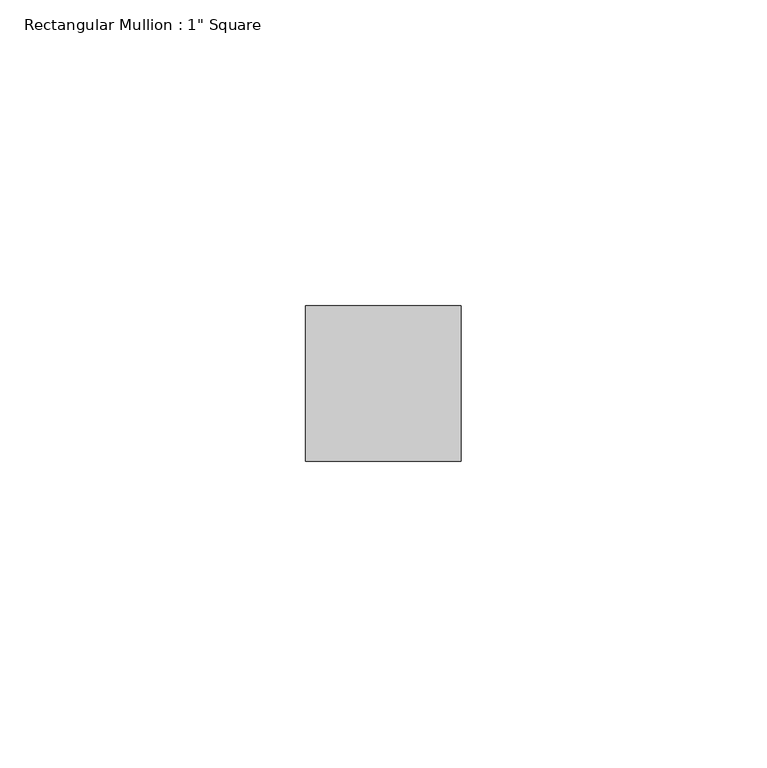
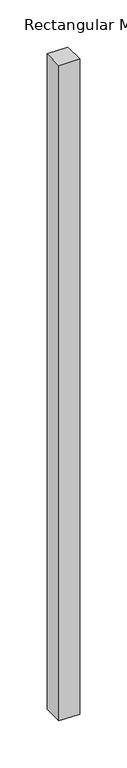
"""IFC4 building model written with IfcOpenShell, lengths in millimetres: member geometry."""

import ifcopenshell
import ifcopenshell.guid

model = None  # the IFC model being written
_history = None  # IfcOwnerHistory: only IFC2X3 demands one
_inside = {}  # id of a spatial element -> (the spatial element, [elements in it])
_under = {}  # id of a project, library or spatial element -> (it, [spatial elements below it])
_declared = {}  # id of a project -> (the project, [libraries it declares])
_typed = {}  # id of a type object -> (the type object, [elements of that type])
_made_of = {}  # id of a material, layer set ... -> (it, [elements and type objects made of it])


def new_model(schema):
    """Start an empty IFC model of exactly this schema.

    Asked for "IFC4X3", IfcOpenShell would pick the latest addendum, in which some entities
    have other attributes; the version numbers below select the first issue.
    IFC2X3 requires an IfcOwnerHistory on every rooted entity: one is made here for all.
    """
    global model, _history
    if schema == "IFC4X3":
        model = ifcopenshell.file(schema_version=(4, 3, 0, 0))
    else:
        model = ifcopenshell.file(schema=schema)
    _inside.clear()
    _under.clear()
    _declared.clear()
    _typed.clear()
    _made_of.clear()
    _history = None
    if model.schema == "IFC2X3":
        org = make("IfcOrganization", Name="unknown")
        user = make(
            "IfcPersonAndOrganization",
            ThePerson=make("IfcPerson", FamilyName="unknown"),
            TheOrganization=org,
        )
        app = make(
            "IfcApplication",
            ApplicationDeveloper=org,
            Version="unknown",
            ApplicationFullName="unknown",
            ApplicationIdentifier="unknown",
        )
        _history = make(
            "IfcOwnerHistory",
            OwningUser=user,
            OwningApplication=app,
            ChangeAction="ADDED",
            CreationDate=0,
        )
    return model


def make(cls, **values):
    """One entity of the class cls with the attributes given. An attribute that is None is left unset."""
    return model.create_entity(
        cls, **{name: value for name, value in values.items() if value is not None}
    )


def rooted(cls, **values):
    """An entity with a GlobalId (a new one), such as an element, a storey or a relation."""
    return make(cls, GlobalId=ifcopenshell.guid.new(), OwnerHistory=_history, **values)


def si_unit(unit_type, name, prefix=None):
    """IfcSIUnit, for example si_unit("LENGTHUNIT", "METRE", prefix="MILLI")."""
    return make("IfcSIUnit", UnitType=unit_type, Prefix=prefix, Name=name)


def assignment(units):
    """IfcUnitAssignment: the units of a project."""
    return None if units is None else make("IfcUnitAssignment", Units=units)


def point(xyz):
    """IfcCartesianPoint."""
    return None if xyz is None else make("IfcCartesianPoint", Coordinates=xyz)


def direction(xyz):
    """IfcDirection."""
    return None if xyz is None else make("IfcDirection", DirectionRatios=xyz)


def frame(location, z_axis=None, x_axis=None):
    """IfcAxis2Placement3D, a coordinate frame: its origin and axes. An axis left out is left unset."""
    return make(
        "IfcAxis2Placement3D",
        Location=point(location),
        Axis=direction(z_axis),
        RefDirection=direction(x_axis),
    )


def origin():
    """The frame at (0, 0, 0) with its axes left unset."""
    return frame((0.0, 0.0, 0.0))


def place(relative_to, where):
    """IfcLocalPlacement: puts the frame where relative to a parent placement (None: the world)."""
    return make(
        "IfcLocalPlacement", PlacementRelTo=relative_to, RelativePlacement=where
    )


def context(
    kind, dimensions, precision=None, world=None, true_north=None, identifier=None
):
    """IfcGeometricRepresentationContext, for example the 3D "Model" context."""
    return make(
        "IfcGeometricRepresentationContext",
        ContextIdentifier=identifier,
        ContextType=kind,
        CoordinateSpaceDimension=dimensions,
        Precision=precision,
        WorldCoordinateSystem=world,
        TrueNorth=true_north,
    )


def project(units=None, contexts=None):
    """IfcProject with its units and contexts."""
    return rooted(
        "IfcProject",
        Name="project",
        RepresentationContexts=contexts,
        UnitsInContext=assignment(units),
    )


def spatial(cls, under=None, at=None, **own):
    """A site, building, storey or space (cls), placed at a placement, below another one or the project."""
    s = rooted(cls, ObjectPlacement=at, **own)
    if under is not None:
        _under.setdefault(under.id(), (under, []))[1].append(s)
    return s


def polyline(points):
    """IfcPolyline through the points."""
    return make("IfcPolyline", Points=[point(p) for p in points])


def outline(outer, holes=None, kind="AREA"):
    """IfcArbitraryClosedProfileDef: a profile drawn as a closed curve; with holes, ...WithVoids."""
    if holes is None:
        return make("IfcArbitraryClosedProfileDef", ProfileType=kind, OuterCurve=outer)
    return make(
        "IfcArbitraryProfileDefWithVoids",
        ProfileType=kind,
        OuterCurve=outer,
        InnerCurves=holes,
    )


def extrude(swept, where, along, depth):
    """IfcExtrudedAreaSolid: the profile swept, set in the frame where, extruded along a direction by depth."""
    return make(
        "IfcExtrudedAreaSolid",
        SweptArea=swept,
        Position=where,
        ExtrudedDirection=direction(along),
        Depth=depth,
    )


def shape(context_of_items, identifier, shape_type, items):
    """IfcShapeRepresentation: the items that make up one representation, for example the "Body"."""
    return make(
        "IfcShapeRepresentation",
        ContextOfItems=context_of_items,
        RepresentationIdentifier=identifier,
        RepresentationType=shape_type,
        Items=items,
    )


def source(mapping_origin, context_of_items, identifier, shape_type, items):
    """IfcRepresentationMap: a shape defined once, which mapped items show again and again."""
    return make(
        "IfcRepresentationMap",
        MappingOrigin=mapping_origin,
        MappedRepresentation=shape(context_of_items, identifier, shape_type, items),
    )


def transform(
    local_origin,
    x_axis=None,
    y_axis=None,
    z_axis=None,
    scale=None,
    scale2=None,
    scale3=None,
    uniform=True,
):
    """IfcCartesianTransformationOperator3D, or its non-uniform kind. x_axis, y_axis, z_axis: its Axis1, 2, 3."""
    if uniform:
        return make(
            "IfcCartesianTransformationOperator3D",
            Axis1=direction(x_axis),
            Axis2=direction(y_axis),
            LocalOrigin=point(local_origin),
            Scale=scale,
            Axis3=direction(z_axis),
        )
    return make(
        "IfcCartesianTransformationOperator3DnonUniform",
        Axis1=direction(x_axis),
        Axis2=direction(y_axis),
        LocalOrigin=point(local_origin),
        Scale=scale,
        Axis3=direction(z_axis),
        Scale2=scale2,
        Scale3=scale3,
    )


def mapped(mapping_source, mapping_target):
    """IfcMappedItem: shows the shape of a source again, moved by a transform."""
    return make(
        "IfcMappedItem", MappingSource=mapping_source, MappingTarget=mapping_target
    )


def made_of(thing, what):
    """Note that an element or type object is made of a material, layer set ...; save() writes the relation."""
    if what is not None:
        _made_of.setdefault(what.id(), (what, []))[1].append(thing)
    return thing


def element(
    cls,
    number,
    at=None,
    inside=None,
    cuts=None,
    type_object=None,
    material=None,
    context=None,
    identifier="Body",
    shape_type=None,
    held_by="IfcProductDefinitionShape",
    body=None,
    shapes=None,
    **own,
):
    """One element of the class cls, such as IfcWall. Its Tag is "e" and its number.

    at: its placement. inside: the storey or other place that contains it. cuts: it is an
    opening in that element (IfcRelVoidsElement). A single representation is given by context,
    identifier, shape_type and body (its items); several are given by shapes. held_by: the class
    of the entity that holds the representations. save() writes the other relations.
    """
    e = rooted(cls, Tag="e%d" % number, ObjectPlacement=at, **own)
    if body is not None:
        shapes = [shape(context, identifier, shape_type, body)]
    if shapes is not None:
        e.Representation = make(held_by, Representations=shapes)
    if inside is not None:
        _inside.setdefault(inside.id(), (inside, []))[1].append(e)
    if cuts is not None:
        rooted(
            "IfcRelVoidsElement", RelatingBuildingElement=cuts, RelatedOpeningElement=e
        )
    if type_object is not None:
        _typed.setdefault(type_object.id(), (type_object, []))[1].append(e)
    return made_of(e, material)


def aggregate(whole, parts):
    """IfcRelAggregates: a whole, such as a stair, and the parts it consists of."""
    return rooted("IfcRelAggregates", RelatingObject=whole, RelatedObjects=parts)


def save(model, path):
    """Write the relations noted so far, then the file.

    IfcRelAggregates (storeys below a building ...), IfcRelContainedInSpatialStructure (elements
    in a storey), IfcRelDefinesByType, IfcRelAssociatesMaterial and IfcRelDeclares: one each for
    every whole, place, type object, material and project.
    """
    for whole, parts in _under.values():
        aggregate(whole, parts)
    for where, things in _inside.values():
        rooted(
            "IfcRelContainedInSpatialStructure",
            RelatedElements=things,
            RelatingStructure=where,
        )
    for kind, things in _typed.values():
        rooted("IfcRelDefinesByType", RelatedObjects=things, RelatingType=kind)
    for what, things in _made_of.values():
        rooted("IfcRelAssociatesMaterial", RelatedObjects=things, RelatingMaterial=what)
    for by, libraries in _declared.values():
        rooted("IfcRelDeclares", RelatingContext=by, RelatedDefinitions=libraries)
    model.write(path)


def member_3837f242(model_context):
    return source(origin(), model_context, "Body", "SweptSolid", [
        extrude(outline(polyline([(0.0, 12.7), (0.0, -12.7), (-25.4, -12.7), (-25.4, 12.7), (0.0, 12.7)])), frame((0.0, 0.0, -850.9), z_axis=(0.0, 0.0, 1.0), x_axis=(1.0, 0.0, 0.0)), (0.0, 0.0, 1.0), 850.9),
    ])


if __name__ == "__main__":
    model = new_model("IFC4")
    model_context = context("Model", 3, world=origin())
    ifc_project = project(units=[si_unit("LENGTHUNIT", "METRE", prefix="MILLI")], contexts=[model_context])
    site = spatial("IfcSite", under=ifc_project)
    building = spatial("IfcBuilding", under=site)
    placement = place(None, origin())
    member_shape = member_3837f242(model_context)
    element("IfcMember", 1, ObjectType="Rectangular Mullion : 1\" Square", at=placement, inside=building, context=model_context, shape_type="MappedRepresentation", body=[
        mapped(member_shape, transform((0.0, 0.0, 0.0), x_axis=(1.0, 0.0, 0.0), y_axis=(0.0, 1.0, 0.0), z_axis=(0.0, 0.0, 1.0))),
    ])
    save(model, "model.ifc")
